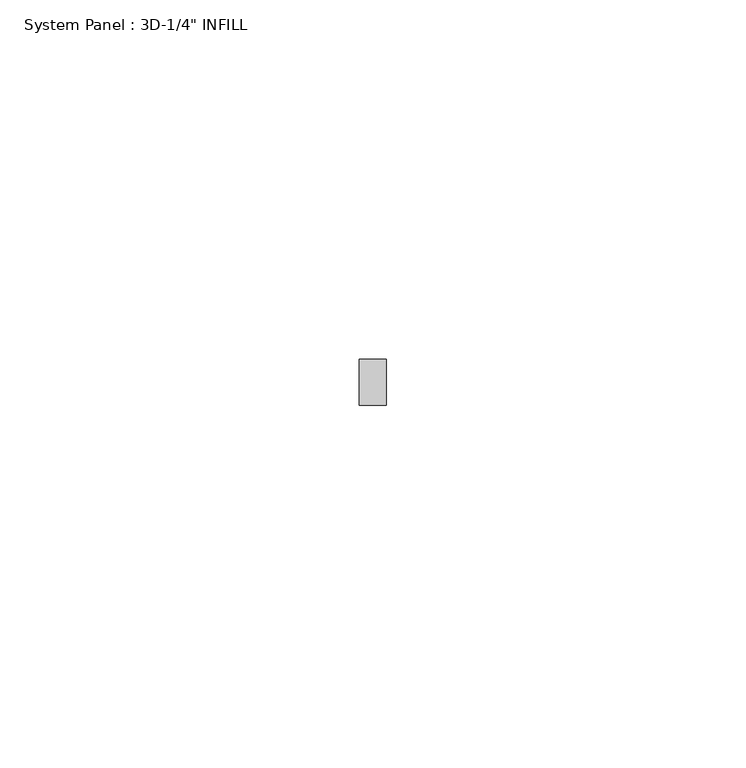
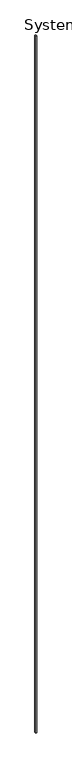
"""IFC4 building model written with IfcOpenShell, lengths in millimetres: plate geometry."""

from ifc_helpers import new_model, si_unit, frame, origin, place, context, project, spatial, polyline, outline, extrude, source, transform, mapped, element, save


def plate_f113571f(model_context):
    return source(origin(), model_context, "Body", "SweptSolid", [
        extrude(outline(polyline([(0.0, -1.8851563), (0.0, 1.8851563), (1060.4754, 1.8851563), (2888.48165, 1.8851563), (2888.48165, -1.8851563), (1060.4754, -1.8851563), (0.0, -1.8851563)])), frame((0.0, -3.175, 0.0), z_axis=(0.0, 1.0, 0.0), x_axis=(0.0, 0.0, 1.0)), (0.0, 0.0, 1.0), 6.35),
    ])


if __name__ == "__main__":
    model = new_model("IFC4")
    model_context = context("Model", 3, world=origin())
    ifc_project = project(units=[si_unit("LENGTHUNIT", "METRE", prefix="MILLI")], contexts=[model_context])
    site = spatial("IfcSite", under=ifc_project)
    building = spatial("IfcBuilding", under=site)
    placement = place(None, origin())
    plate_shape = plate_f113571f(model_context)
    element("IfcPlate", 1, ObjectType="System Panel : 3D-1/4\" INFILL", at=placement, inside=building, context=model_context, shape_type="MappedRepresentation", body=[
        mapped(plate_shape, transform((0.0, 0.0, 0.0), x_axis=(1.0, 0.0, 0.0), y_axis=(0.0, 1.0, 0.0), z_axis=(0.0, 0.0, 1.0))),
    ])
    save(model, "model.ifc")
